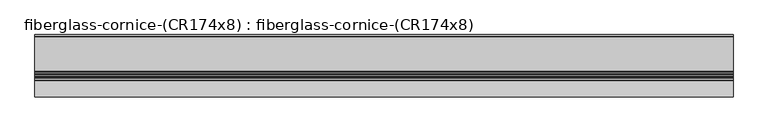
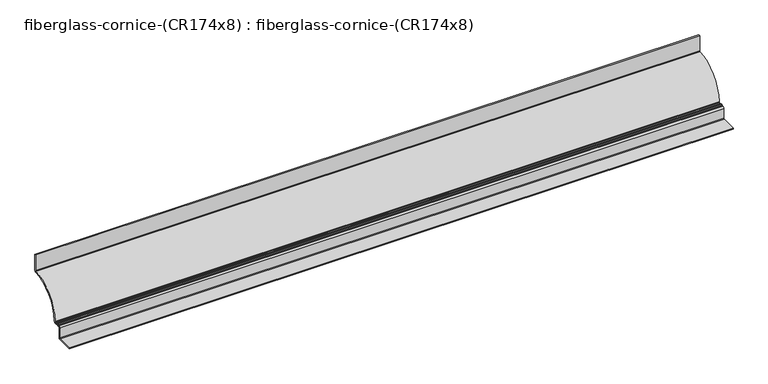
"""IFC4 building model written with IfcOpenShell, lengths in millimetres: furniture geometry, fiberglass-cornice-(CR174x8) : fiberglass-cornice-(CR174x8)."""

from ifc_helpers import new_model, si_unit, point, frame, frame_2d, origin, place, context, project, spatial, polyline, circle_curve, trimmed, segment, composite_curve, outline, extrude, source, transform, mapped, element, save


def fiberglass_cornice_cr174x8_fiberglass_cornice_cr174x8_9435d9f7(model_context):
    return source(origin(), model_context, "Body", "SweptSolid", [
        extrude(outline(composite_curve([segment(polyline([(460.375, 330.1999904), (460.375, 231.6795826)]), True, "CONTINUOUS"), segment(trimmed(circle_curve(frame_2d((450.85, 231.6795826)), 9.525), [point((460.375, 231.6795826))], [point((451.1361588, 222.1588821))], False, "CARTESIAN"), True, "CONTINUOUS"), segment(trimmed(circle_curve(frame_2d((457.2, 20.4107047)), 201.8392857), [point((451.1361588, 222.1588821))], [point((255.5113441, 28.207072))], True, "CARTESIAN"), True, "CONTINUOUS"), segment(trimmed(circle_curve(frame_2d((245.9934525, 28.5749904)), 9.525), [point((255.5113441, 28.207072))], [point((245.9934525, 19.0499904))], False, "CARTESIAN"), True, "CONTINUOUS"), segment(polyline([(245.9934525, 19.0499904), (237.1363562, 19.0499904)]), True, "CONTINUOUS"), segment(trimmed(circle_curve(frame_2d((237.1363562, 26.9874904)), 7.9375), [point((237.1363562, 19.0499904))], [point((231.5812634, 21.3178476))], False, "CARTESIAN"), True, "CONTINUOUS"), segment(trimmed(circle_curve(frame_2d((229.3592262, 19.0499904)), 3.175), [point((231.5812634, 21.3178476))], [point((229.3592262, 22.2249904))], True, "CARTESIAN"), True, "CONTINUOUS"), segment(polyline([(229.3592262, 22.2249904), (223.0092262, 22.2249904)]), True, "CONTINUOUS"), segment(trimmed(circle_curve(frame_2d((223.0092262, 19.0499904)), 3.175), [point((223.0092262, 22.2249904))], [point((220.7871891, 21.3178476))], True, "CARTESIAN"), True, "CONTINUOUS"), segment(trimmed(circle_curve(frame_2d((215.2320963, 26.9874904)), 7.9375), [point((220.7871891, 21.3178476))], [point((215.2320963, 19.0499904))], False, "CARTESIAN"), True, "CONTINUOUS"), segment(polyline([(215.2320963, 19.0499904), (209.55, 19.0499904)]), True, "CONTINUOUS"), segment(trimmed(circle_curve(frame_2d((209.55, 15.8749904)), 3.175), [point((209.55, 19.0499904))], [point((206.375, 15.8749904))], True, "CARTESIAN"), True, "CONTINUOUS"), segment(polyline([(206.375, 15.8749904), (206.375, -47.6250096)]), True, "CONTINUOUS"), segment(trimmed(circle_curve(frame_2d((196.85, -47.6250096)), 9.525), [point((206.375, -47.6250096))], [point((196.85, -57.1500096))], False, "CARTESIAN"), True, "CONTINUOUS"), segment(polyline([(196.85, -57.1500096), (101.6, -57.1500096), (101.6, -50.8000096), (196.85, -50.8000096)]), True, "CONTINUOUS"), segment(trimmed(circle_curve(frame_2d((196.85, -47.6250096)), 3.175), [point((196.85, -50.8000096))], [point((200.025, -47.6250096))], True, "CARTESIAN"), True, "CONTINUOUS"), segment(polyline([(200.025, -47.6250096), (200.025, 15.8749904)]), True, "CONTINUOUS"), segment(trimmed(circle_curve(frame_2d((209.55, 15.8749904)), 9.525), [point((200.025, 15.8749904))], [point((209.55, 25.3999904))], False, "CARTESIAN"), True, "CONTINUOUS"), segment(polyline([(209.55, 25.3999904), (215.2320963, 25.3999904)]), True, "CONTINUOUS"), segment(trimmed(circle_curve(frame_2d((215.2320963, 28.5749904)), 3.175), [point((215.2320963, 25.3999904))], [point((217.4541334, 26.3071333))], True, "CARTESIAN"), True, "CONTINUOUS"), segment(trimmed(circle_curve(frame_2d((223.0092262, 20.6374904)), 7.9375), [point((217.4541334, 26.3071333))], [point((223.0092262, 28.5749904))], False, "CARTESIAN"), True, "CONTINUOUS"), segment(polyline([(223.0092262, 28.5749904), (229.3592262, 28.5749904)]), True, "CONTINUOUS"), segment(trimmed(circle_curve(frame_2d((229.3592262, 20.6374904)), 7.9375), [point((229.3592262, 28.5749904))], [point((234.9143191, 26.3071333))], False, "CARTESIAN"), True, "CONTINUOUS"), segment(trimmed(circle_curve(frame_2d((237.1363562, 28.5749904)), 3.175), [point((234.9143191, 26.3071333))], [point((237.1363562, 25.3999904))], True, "CARTESIAN"), True, "CONTINUOUS"), segment(polyline([(237.1363562, 25.3999904), (245.9934525, 25.3999904)]), True, "CONTINUOUS"), segment(trimmed(circle_curve(frame_2d((245.9934525, 28.5749904)), 3.175), [point((245.9934525, 25.3999904))], [point((249.166083, 28.4523509))], True, "CARTESIAN"), True, "CONTINUOUS"), segment(trimmed(circle_curve(frame_2d((457.2, 20.4107047)), 208.1892857), [point((249.166083, 28.4523509))], [point((450.9453863, 228.5060158))], False, "CARTESIAN"), True, "CONTINUOUS"), segment(trimmed(circle_curve(frame_2d((450.85, 231.6795826)), 3.175), [point((450.9453863, 228.5060158))], [point((454.025, 231.6795826))], True, "CARTESIAN"), True, "CONTINUOUS"), segment(polyline([(454.025, 231.6795826), (454.025, 330.1999904), (460.375, 330.1999904)]), True, "CONTINUOUS")], self_intersect=False)), frame((-2012.9498044, 0.0, 0.0), z_axis=(1.0, 0.0, 0.0), x_axis=(0.0, 1.0, 0.0)), (0.0, 0.0, 1.0), 4025.8996087),
    ])


if __name__ == "__main__":
    model = new_model("IFC4")
    model_context = context("Model", 3, world=origin())
    ifc_project = project(units=[si_unit("LENGTHUNIT", "METRE", prefix="MILLI")], contexts=[model_context])
    site = spatial("IfcSite", under=ifc_project)
    building = spatial("IfcBuilding", under=site)
    placement = place(None, origin())
    fiberglass_cornice_cr174x8_fiberglass_cornice_cr174x8_shape = fiberglass_cornice_cr174x8_fiberglass_cornice_cr174x8_9435d9f7(model_context)
    element("IfcFurniture", 1, ObjectType="fiberglass-cornice-(CR174x8) : fiberglass-cornice-(CR174x8)", at=placement, inside=building, context=model_context, shape_type="MappedRepresentation", body=[
        mapped(fiberglass_cornice_cr174x8_fiberglass_cornice_cr174x8_shape, transform((0.0, 0.0, 0.0), x_axis=(1.0, 0.0, 0.0), y_axis=(0.0, 1.0, 0.0), z_axis=(0.0, 0.0, 1.0))),
    ])
    save(model, "model.ifc")
